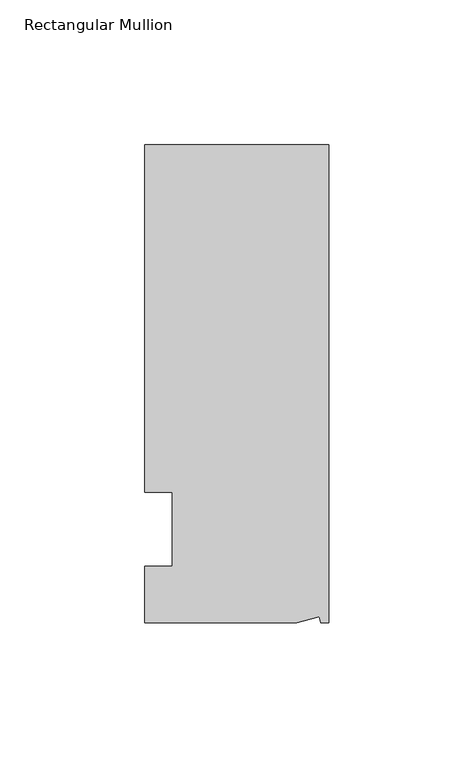
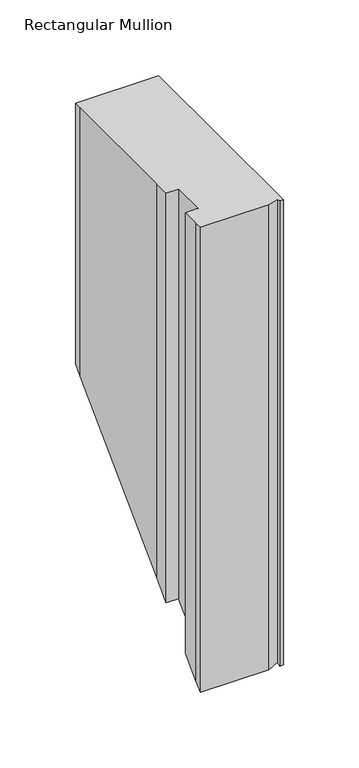
"""IFC4 building model written with IfcOpenShell, lengths in millimetres: member geometry, Rectangular Mullion."""

from ifc_helpers import new_model, si_unit, origin, place, context, project, spatial, faceted_brep, source, transform, mapped, element, save


def rectangular_mullion_d7216e2b(model_context):
    return source(origin(), model_context, "Body", "Brep", [
        faceted_brep([(-3.3457217, -17.5748952, 0.0), (-11.1265412, -19.6597595, 0.0), (-11.1265412, -19.6597595, -375.2597595), (-3.3457217, -17.5748952, -373.1748952), (-2.787084, -19.6597595, 0.0), (-2.787084, -19.6597595, -375.2597595), (0.0, -19.6597595, 0.0), (0.0, -19.6597595, -375.2597595), (0.0, 145.4402405, 0.0), (0.0, 145.4402405, -210.1597595), (-63.5, 145.4402405, 0.0), (-63.5, 145.4402405, -210.1597595), (-63.5, 38.3358837, 0.0), (-63.5, 139.0912527, 0.0), (-63.5, 139.0912527, -216.5087473), (-63.5, 38.3358837, -317.2641163), (-53.975, 25.4, 0.0), (-63.5, 25.4, 0.0), (-63.5, 25.4, -330.2), (-53.975, 25.4, -330.2), (-53.975, 0.0, 0.0), (-53.975, 0.0, -355.6), (-63.5, 0.0, 0.0), (-63.5, 0.0, -355.6), (-63.5, -13.6146679, 0.0), (-63.5, -13.6146679, -369.2146679), (-63.5, -19.6597595, 0.0), (-63.5, -19.6597595, -375.2597595)], [[[0, 1, 2, 3]], [[4, 0, 3, 5]], [[6, 4, 5, 7]], [[8, 6, 7, 9]], [[10, 8, 9, 11]], [[12, 13, 14, 15]], [[16, 17, 18, 19]], [[20, 16, 19, 21]], [[22, 20, 21, 23]], [[24, 22, 23, 25]], [[1, 26, 27, 2]], [[1, 0, 4, 6, 8, 10, 13, 12, 17, 16, 20, 22, 24, 26]], [[2, 27, 25, 23, 21, 19, 18, 15, 14, 11, 9, 7, 5, 3]], [[13, 10, 11, 14]], [[17, 12, 15, 18]], [[26, 24, 25, 27]]]),
    ])


if __name__ == "__main__":
    model = new_model("IFC4")
    model_context = context("Model", 3, world=origin())
    ifc_project = project(units=[si_unit("LENGTHUNIT", "METRE", prefix="MILLI")], contexts=[model_context])
    site = spatial("IfcSite", under=ifc_project)
    building = spatial("IfcBuilding", under=site)
    placement = place(None, origin())
    rectangular_mullion_shape = rectangular_mullion_d7216e2b(model_context)
    element("IfcMember", 1, ObjectType="Rectangular Mullion", at=placement, inside=building, context=model_context, shape_type="MappedRepresentation", body=[
        mapped(rectangular_mullion_shape, transform((0.0, 0.0, 0.0), x_axis=(1.0, 0.0, 0.0), y_axis=(0.0, 1.0, 0.0), z_axis=(0.0, 0.0, 1.0))),
    ])
    save(model, "model.ifc")
